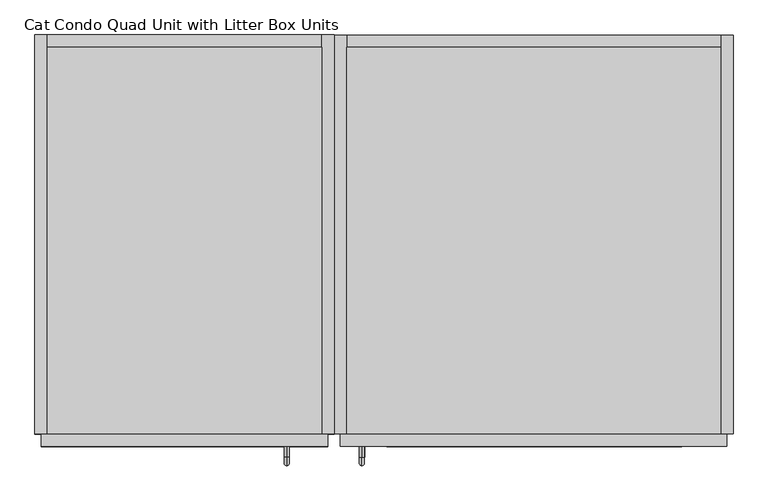
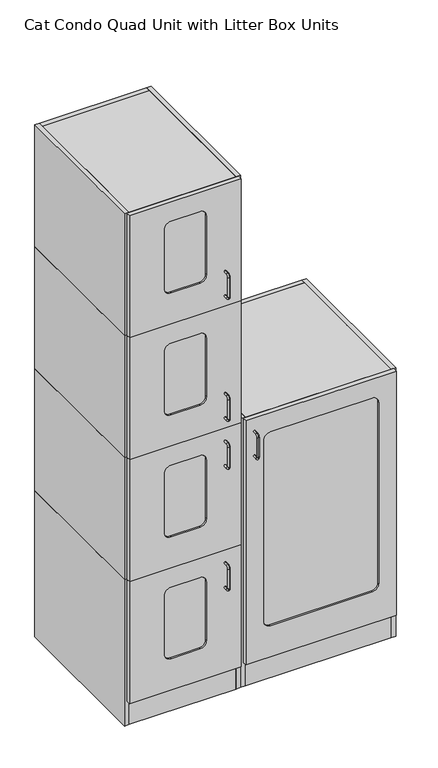
"""IFC4 building model written with IfcOpenShell, lengths in millimetres: proxy geometry, Cat Condo Quad Unit with Litter Box Units."""

from ifc_helpers import new_model, si_unit, point, frame, frame_2d, origin, origin_with_axes, place, context, project, spatial, polyline, circle_curve, ellipse_curve, trimmed, segment, composite_curve, outline, extrude, source, transform, mapped, element, save
from ifc_brep_helpers import plane_surface, cylinder_surface, revolved_surface, advanced_brep


def cat_condo_quad_unit_with_litter_box_units_55eef16e(model_context):
    return source(origin(), model_context, "Body", "SolidModel", [
        advanced_brep(
        [(994.1819084, -19.05, 551.6993154), (994.1819084, -19.05, 559.5506846), (994.1819084, -35.2117768, 551.6993154), (994.1819084, -35.2117768, 559.5506846), (994.1819084, -48.3756846, 546.3867768), (994.1819084, -40.5243154, 546.3867768), (994.1819084, -40.5243154, 463.2632232), (994.1819084, -48.3756846, 463.2632232), (994.1819084, -35.2117768, 450.0993154), (994.1819084, -35.2117768, 457.9506846), (994.1819084, -19.05, 457.9506846), (994.1819084, -19.05, 450.0993154)],
        [
            (0, 1, circle_curve(frame((994.1819084, -19.05, 555.625), z_axis=(0.0, 1.0, 0.0), x_axis=(0.0, 0.0, 1.0)), 3.9256846)),
            (1, 0, circle_curve(frame((994.1819084, -19.05, 555.625), z_axis=(0.0, 1.0, 0.0), x_axis=(0.0, 0.0, 1.0)), 3.9256846)),
            (0, 2),
            (2, 3, circle_curve(frame((994.1819084, -35.2117768, 555.625), z_axis=(0.0, 1.0, 0.0), x_axis=(0.0, 0.0, 1.0)), 3.9256846)),
            (3, 1),
            (3, 2, circle_curve(frame((994.1819084, -35.2117768, 555.625), z_axis=(0.0, 1.0, 0.0), x_axis=(0.0, 0.0, 1.0)), 3.9256846)),
            (4, 3, circle_curve(frame((994.1819084, -35.2117768, 546.3867768), z_axis=(-1.0, 0.0, 0.0), x_axis=(0.0, 0.0, 1.0)), 13.1639078)),
            (2, 5, circle_curve(frame((994.1819084, -35.2117768, 546.3867768), z_axis=(1.0, 0.0, 0.0), x_axis=(0.0, 0.0, 1.0)), 5.3125387)),
            (5, 4, circle_curve(frame((994.1819084, -44.45, 546.3867768), z_axis=(0.0, 0.0, 1.0), x_axis=(0.0, -1.0000000000000002, 0.0)), 3.9256846)),
            (4, 5, circle_curve(frame((994.1819084, -44.45, 546.3867768), z_axis=(0.0, 0.0, 1.0), x_axis=(0.0, -1.0000000000000002, 0.0)), 3.9256846)),
            (5, 6),
            (6, 7, circle_curve(frame((994.1819084, -44.45, 463.2632232), z_axis=(0.0, 0.0, 1.0), x_axis=(0.0, -1.0000000000000002, 0.0)), 3.9256846)),
            (7, 4),
            (7, 6, circle_curve(frame((994.1819084, -44.45, 463.2632232), z_axis=(0.0, 0.0, 1.0), x_axis=(0.0, -1.0000000000000002, 0.0)), 3.9256846)),
            (8, 7, circle_curve(frame((994.1819084, -35.2117768, 463.2632232), z_axis=(-1.0, 0.0, 0.0), x_axis=(0.0, -1.0000000000000002, 0.0)), 13.1639078)),
            (6, 9, circle_curve(frame((994.1819084, -35.2117768, 463.2632232), z_axis=(1.0, 0.0, 0.0), x_axis=(0.0, -1.0000000000000002, 0.0)), 5.3125387)),
            (9, 8, circle_curve(frame((994.1819084, -35.2117768, 454.025), z_axis=(0.0, -1.0000000000000002, 0.0), x_axis=(0.0, 0.0, -1.0)), 3.9256846)),
            (8, 9, circle_curve(frame((994.1819084, -35.2117768, 454.025), z_axis=(0.0, -1.0000000000000002, 0.0), x_axis=(0.0, 0.0, -1.0)), 3.9256846)),
            (10, 11, circle_curve(frame((994.1819084, -19.05, 454.025), z_axis=(0.0, 1.0, 0.0), x_axis=(0.0, 0.0, -1.0)), 3.9256846)),
            (11, 10, circle_curve(frame((994.1819084, -19.05, 454.025), z_axis=(0.0, 1.0, 0.0), x_axis=(0.0, 0.0, -1.0)), 3.9256846)),
            (9, 10),
            (11, 8),
        ],
        [
            plane_surface(frame((994.1819084, -19.05, 555.625), z_axis=(0.0, 1.0, 0.0), x_axis=(1.0, 0.0, 0.0))),
            cylinder_surface(frame((994.1819084, -19.05, 555.625), z_axis=(0.0, 1.0000000000000002, 0.0), x_axis=(0.0, 0.0, 1.0)), 3.9256846),
            revolved_surface(trimmed(ellipse_curve(frame((994.1819084, -35.2117768, 555.625), z_axis=(0.0, 1.0000000000000002, 0.0), x_axis=(0.0, 0.0, 1.0)), 3.9256846, 3.9256846), [point((994.1819084, -35.2117768, 551.6993154))], [point((994.1819084, -35.2117768, 559.5506846))], True, "CARTESIAN"), (994.1819084, -35.2117768, 546.3867768), (1.0000000000000002, 0.0, 0.0)),
            revolved_surface(trimmed(ellipse_curve(frame((994.1819084, -35.2117768, 555.625), z_axis=(0.0, 1.0000000000000002, 0.0), x_axis=(0.0, 0.0, 1.0)), 3.9256846, 3.9256846), [point((994.1819084, -35.2117768, 559.5506846))], [point((994.1819084, -35.2117768, 551.6993154))], True, "CARTESIAN"), (994.1819084, -35.2117768, 546.3867768), (1.0000000000000002, 0.0, 0.0)),
            cylinder_surface(frame((994.1819084, -44.45, 546.3867768), z_axis=(0.0, 0.0, 1.0), x_axis=(0.0, -1.0000000000000002, 0.0)), 3.9256846),
            revolved_surface(trimmed(ellipse_curve(frame((994.1819084, -44.45, 463.2632232), z_axis=(0.0, 0.0, 1.0), x_axis=(0.0, -1.0000000000000002, 0.0)), 3.9256846, 3.9256846), [point((994.1819084, -40.5243154, 463.2632232))], [point((994.1819084, -48.3756846, 463.2632232))], True, "CARTESIAN"), (994.1819084, -35.2117768, 463.2632232), (1.0000000000000002, 0.0, 0.0)),
            revolved_surface(trimmed(ellipse_curve(frame((994.1819084, -44.45, 463.2632232), z_axis=(0.0, 0.0, 1.0), x_axis=(0.0, -1.0000000000000002, 0.0)), 3.9256846, 3.9256846), [point((994.1819084, -48.3756846, 463.2632232))], [point((994.1819084, -40.5243154, 463.2632232))], True, "CARTESIAN"), (994.1819084, -35.2117768, 463.2632232), (1.0000000000000002, 0.0, 0.0)),
            plane_surface(frame((994.1819084, -19.05, 454.025), z_axis=(0.0, 1.0, 0.0), x_axis=(1.0, 0.0, 0.0))),
            cylinder_surface(frame((994.1819084, -35.2117768, 454.025), z_axis=(0.0, -1.0000000000000002, 0.0), x_axis=(0.0, 0.0, -1.0)), 3.9256846),
        ],
        [
            (0, [[1, 2]]),
            (1, [[-1, 3, 4, 5]]),
            (1, [[-2, -5, 6, -3]]),
            (2, [[7, -4, 8, 9]]),
            (3, [[-8, -6, -7, 10]]),
            (4, [[-9, 11, 12, 13]]),
            (4, [[-10, -13, 14, -11]]),
            (5, [[15, -12, 16, 17]]),
            (6, [[-16, -14, -15, 18]]),
            (7, [[19, 20]]),
            (8, [[-17, 21, -20, 22]]),
            (8, [[-18, -22, -19, -21]]),
        ],
    ),
        extrude(outline(polyline([(1047.75, 590.55), (1047.75, 0.0), (628.65, 0.0), (628.65, 590.55), (1047.75, 590.55)])), frame((0.0, 0.0, 587.375), z_axis=(0.0, 0.0, 1.0), x_axis=(1.0, 0.0, 0.0)), (0.0, 0.0, 1.0), 19.05),
        extrude(outline(polyline([(1047.75, 0.0), (628.65, 0.0), (628.65, 590.55), (1047.75, 590.55), (1047.75, 0.0)])), frame((0.0, 0.0, 101.6), z_axis=(0.0, 0.0, 1.0), x_axis=(1.0, 0.0, 0.0)), (0.0, 0.0, 1.0), 19.05),
        extrude(outline(polyline([(1047.75, 19.05), (1047.75, 0.0), (628.65, 0.0), (628.65, 19.05), (1047.75, 19.05)])), origin_with_axes(), (0.0, 0.0, 1.0), 101.6),
        extrude(outline(polyline([(1047.75, 609.6), (1066.8, 609.6), (1066.8, 0.0), (1047.75, 0.0), (1047.75, 609.6)])), origin_with_axes(), (0.0, 0.0, 1.0), 606.425),
        extrude(outline(polyline([(1047.75, 609.6), (1047.75, 590.55), (628.65, 590.55), (628.65, 609.6), (1047.75, 609.6)])), origin_with_axes(), (0.0, 0.0, 1.0), 606.425),
        extrude(outline(polyline([(628.65, 609.6), (628.65, 0.0), (609.6, 0.0), (609.6, 609.6), (628.65, 609.6)])), origin_with_axes(), (0.0, 0.0, 1.0), 606.425),
        extrude(outline(composite_curve([segment(polyline([(527.05, 895.35), (527.05, 781.05)]), True, "CONTINUOUS"), segment(trimmed(circle_curve(frame_2d((501.65, 781.05)), 25.4), [point((527.05, 781.05))], [point((501.65, 755.65))], False, "CARTESIAN"), True, "CONTINUOUS"), segment(polyline([(501.65, 755.65), (257.175, 755.65)]), True, "CONTINUOUS"), segment(trimmed(circle_curve(frame_2d((257.175, 781.05)), 25.4), [point((257.175, 755.65))], [point((231.775, 781.05))], False, "CARTESIAN"), True, "CONTINUOUS"), segment(polyline([(231.775, 781.05), (231.775, 895.35)]), True, "CONTINUOUS"), segment(trimmed(circle_curve(frame_2d((257.175, 895.35)), 25.4), [point((231.775, 895.35))], [point((257.175, 920.75))], False, "CARTESIAN"), True, "CONTINUOUS"), segment(polyline([(257.175, 920.75), (501.65, 920.75)]), True, "CONTINUOUS"), segment(trimmed(circle_curve(frame_2d((501.65, 895.35)), 25.4), [point((501.65, 920.75))], [point((527.05, 895.35))], False, "CARTESIAN"), True, "CONTINUOUS")], self_intersect=False)), frame((0.0, -12.7, 0.0), z_axis=(0.0, 1.0, 0.0), x_axis=(0.0, 0.0, 1.0)), (0.0, 0.0, 1.0), 6.35),
        extrude(outline(polyline([(606.425, 1057.275), (606.425, 619.125), (101.6, 619.125), (101.6, 1057.275), (606.425, 1057.275)]), holes=[composite_curve([segment(polyline([(527.05, 781.05), (527.05, 895.35)]), True, "CONTINUOUS"), segment(trimmed(circle_curve(frame_2d((501.65, 895.35)), 25.4), [point((527.05, 895.35))], [point((501.65, 920.75))], True, "CARTESIAN"), True, "CONTINUOUS"), segment(polyline([(501.65, 920.75), (257.175, 920.75)]), True, "CONTINUOUS"), segment(trimmed(circle_curve(frame_2d((257.175, 895.35)), 25.4), [point((257.175, 920.75))], [point((231.775, 895.35))], True, "CARTESIAN"), True, "CONTINUOUS"), segment(polyline([(231.775, 895.35), (231.775, 781.05)]), True, "CONTINUOUS"), segment(trimmed(circle_curve(frame_2d((257.175, 781.05)), 25.4), [point((231.775, 781.05))], [point((257.175, 755.65))], True, "CARTESIAN"), True, "CONTINUOUS"), segment(polyline([(257.175, 755.65), (501.65, 755.65)]), True, "CONTINUOUS"), segment(trimmed(circle_curve(frame_2d((501.65, 781.05)), 25.4), [point((501.65, 755.65))], [point((527.05, 781.05))], True, "CARTESIAN"), True, "CONTINUOUS")], self_intersect=False)]), frame((0.0, -19.05, 0.0), z_axis=(0.0, 1.0, 0.0), x_axis=(0.0, 0.0, 1.0)), (0.0, 0.0, 1.0), 19.05),
        advanced_brep(
        [(994.1819084, -19.05, 1056.5243154), (994.1819084, -19.05, 1064.3756846), (994.1819084, -35.2117768, 1056.5243154), (994.1819084, -35.2117768, 1064.3756846), (994.1819084, -48.3756846, 1051.2117768), (994.1819084, -40.5243154, 1051.2117768), (994.1819084, -40.5243154, 968.0882232), (994.1819084, -48.3756846, 968.0882232), (994.1819084, -35.2117768, 954.9243154), (994.1819084, -35.2117768, 962.7756846), (994.1819084, -19.05, 962.7756846), (994.1819084, -19.05, 954.9243154)],
        [
            (0, 1, circle_curve(frame((994.1819084, -19.05, 1060.45), z_axis=(0.0, 1.0, 0.0), x_axis=(0.0, 0.0, 1.0)), 3.9256846)),
            (1, 0, circle_curve(frame((994.1819084, -19.05, 1060.45), z_axis=(0.0, 1.0, 0.0), x_axis=(0.0, 0.0, 1.0)), 3.9256846)),
            (0, 2),
            (2, 3, circle_curve(frame((994.1819084, -35.2117768, 1060.45), z_axis=(0.0, 1.0, 0.0), x_axis=(0.0, 0.0, 1.0)), 3.9256846)),
            (3, 1),
            (3, 2, circle_curve(frame((994.1819084, -35.2117768, 1060.45), z_axis=(0.0, 1.0, 0.0), x_axis=(0.0, 0.0, 1.0)), 3.9256846)),
            (4, 3, circle_curve(frame((994.1819084, -35.2117768, 1051.2117768), z_axis=(-1.0, 0.0, 0.0), x_axis=(0.0, 0.0, 1.0)), 13.1639078)),
            (2, 5, circle_curve(frame((994.1819084, -35.2117768, 1051.2117768), z_axis=(1.0, 0.0, 0.0), x_axis=(0.0, 0.0, 1.0)), 5.3125387)),
            (5, 4, circle_curve(frame((994.1819084, -44.45, 1051.2117768), z_axis=(0.0, 0.0, 1.0), x_axis=(0.0, -1.0000000000000002, 0.0)), 3.9256846)),
            (4, 5, circle_curve(frame((994.1819084, -44.45, 1051.2117768), z_axis=(0.0, 0.0, 1.0), x_axis=(0.0, -1.0000000000000002, 0.0)), 3.9256846)),
            (5, 6),
            (6, 7, circle_curve(frame((994.1819084, -44.45, 968.0882232), z_axis=(0.0, 0.0, 1.0), x_axis=(0.0, -1.0000000000000002, 0.0)), 3.9256846)),
            (7, 4),
            (7, 6, circle_curve(frame((994.1819084, -44.45, 968.0882232), z_axis=(0.0, 0.0, 1.0), x_axis=(0.0, -1.0000000000000002, 0.0)), 3.9256846)),
            (8, 7, circle_curve(frame((994.1819084, -35.2117768, 968.0882232), z_axis=(-1.0, 0.0, 0.0), x_axis=(0.0, -1.0000000000000002, 0.0)), 13.1639078)),
            (6, 9, circle_curve(frame((994.1819084, -35.2117768, 968.0882232), z_axis=(1.0, 0.0, 0.0), x_axis=(0.0, -1.0000000000000002, 0.0)), 5.3125387)),
            (9, 8, circle_curve(frame((994.1819084, -35.2117768, 958.85), z_axis=(0.0, -1.0000000000000002, 0.0), x_axis=(0.0, 0.0, -1.0)), 3.9256846)),
            (8, 9, circle_curve(frame((994.1819084, -35.2117768, 958.85), z_axis=(0.0, -1.0000000000000002, 0.0), x_axis=(0.0, 0.0, -1.0)), 3.9256846)),
            (10, 11, circle_curve(frame((994.1819084, -19.05, 958.85), z_axis=(0.0, 1.0, 0.0), x_axis=(0.0, 0.0, -1.0)), 3.9256846)),
            (11, 10, circle_curve(frame((994.1819084, -19.05, 958.85), z_axis=(0.0, 1.0, 0.0), x_axis=(0.0, 0.0, -1.0)), 3.9256846)),
            (9, 10),
            (11, 8),
        ],
        [
            plane_surface(frame((994.1819084, -19.05, 1060.45), z_axis=(0.0, 1.0, 0.0), x_axis=(1.0, 0.0, 0.0))),
            cylinder_surface(frame((994.1819084, -19.05, 1060.45), z_axis=(0.0, 1.0000000000000002, 0.0), x_axis=(0.0, 0.0, 1.0)), 3.9256846),
            revolved_surface(trimmed(ellipse_curve(frame((994.1819084, -35.2117768, 1060.45), z_axis=(0.0, 1.0000000000000002, 0.0), x_axis=(0.0, 0.0, 1.0)), 3.9256846, 3.9256846), [point((994.1819084, -35.2117768, 1056.5243154))], [point((994.1819084, -35.2117768, 1064.3756846))], True, "CARTESIAN"), (994.1819084, -35.2117768, 1051.2117768), (1.0000000000000002, 0.0, 0.0)),
            revolved_surface(trimmed(ellipse_curve(frame((994.1819084, -35.2117768, 1060.45), z_axis=(0.0, 1.0000000000000002, 0.0), x_axis=(0.0, 0.0, 1.0)), 3.9256846, 3.9256846), [point((994.1819084, -35.2117768, 1064.3756846))], [point((994.1819084, -35.2117768, 1056.5243154))], True, "CARTESIAN"), (994.1819084, -35.2117768, 1051.2117768), (1.0000000000000002, 0.0, 0.0)),
            cylinder_surface(frame((994.1819084, -44.45, 1051.2117768), z_axis=(0.0, 0.0, 1.0), x_axis=(0.0, -1.0000000000000002, 0.0)), 3.9256846),
            revolved_surface(trimmed(ellipse_curve(frame((994.1819084, -44.45, 968.0882232), z_axis=(0.0, 0.0, 1.0), x_axis=(0.0, -1.0000000000000002, 0.0)), 3.9256846, 3.9256846), [point((994.1819084, -40.5243154, 968.0882232))], [point((994.1819084, -48.3756846, 968.0882232))], True, "CARTESIAN"), (994.1819084, -35.2117768, 968.0882232), (1.0000000000000002, 0.0, 0.0)),
            revolved_surface(trimmed(ellipse_curve(frame((994.1819084, -44.45, 968.0882232), z_axis=(0.0, 0.0, 1.0), x_axis=(0.0, -1.0000000000000002, 0.0)), 3.9256846, 3.9256846), [point((994.1819084, -48.3756846, 968.0882232))], [point((994.1819084, -40.5243154, 968.0882232))], True, "CARTESIAN"), (994.1819084, -35.2117768, 968.0882232), (1.0000000000000002, 0.0, 0.0)),
            plane_surface(frame((994.1819084, -19.05, 958.85), z_axis=(0.0, 1.0, 0.0), x_axis=(1.0, 0.0, 0.0))),
            cylinder_surface(frame((994.1819084, -35.2117768, 958.85), z_axis=(0.0, -1.0000000000000002, 0.0), x_axis=(0.0, 0.0, -1.0)), 3.9256846),
        ],
        [
            (0, [[1, 2]]),
            (1, [[-1, 3, 4, 5]]),
            (1, [[-2, -5, 6, -3]]),
            (2, [[7, -4, 8, 9]]),
            (3, [[-8, -6, -7, 10]]),
            (4, [[-9, 11, 12, 13]]),
            (4, [[-10, -13, 14, -11]]),
            (5, [[15, -12, 16, 17]]),
            (6, [[-16, -14, -15, 18]]),
            (7, [[19, 20]]),
            (8, [[-17, 21, -20, 22]]),
            (8, [[-18, -22, -19, -21]]),
        ],
    ),
        extrude(outline(polyline([(1047.75, 590.55), (1047.75, 0.0), (628.65, 0.0), (628.65, 590.55), (1047.75, 590.55)])), frame((0.0, 0.0, 1093.7875), z_axis=(0.0, 0.0, 1.0), x_axis=(1.0, 0.0, 0.0)), (0.0, 0.0, 1.0), 19.05),
        extrude(outline(polyline([(1047.75, 0.0), (628.65, 0.0), (628.65, 590.55), (1047.75, 590.55), (1047.75, 0.0)])), frame((0.0, 0.0, 606.425), z_axis=(0.0, 0.0, 1.0), x_axis=(1.0, 0.0, 0.0)), (0.0, 0.0, 1.0), 19.05),
        extrude(outline(polyline([(1047.75, 609.6), (1066.8, 609.6), (1066.8, 0.0), (1047.75, 0.0), (1047.75, 609.6)])), frame((0.0, 0.0, 606.425), z_axis=(0.0, 0.0, 1.0), x_axis=(1.0, 0.0, 0.0)), (0.0, 0.0, 1.0), 506.4125),
        extrude(outline(polyline([(1047.75, 609.6), (1047.75, 590.55), (628.65, 590.55), (628.65, 609.6), (1047.75, 609.6)])), frame((0.0, 0.0, 606.425), z_axis=(0.0, 0.0, 1.0), x_axis=(1.0, 0.0, 0.0)), (0.0, 0.0, 1.0), 506.4125),
        extrude(outline(polyline([(628.65, 609.6), (628.65, 0.0), (609.6, 0.0), (609.6, 609.6), (628.65, 609.6)])), frame((0.0, 0.0, 606.425), z_axis=(0.0, 0.0, 1.0), x_axis=(1.0, 0.0, 0.0)), (0.0, 0.0, 1.0), 506.4125),
        extrude(outline(composite_curve([segment(polyline([(1033.4625, 895.35), (1033.4625, 781.05)]), True, "CONTINUOUS"), segment(trimmed(circle_curve(frame_2d((1008.0625, 781.05)), 25.4), [point((1033.4625, 781.05))], [point((1008.0625, 755.65))], False, "CARTESIAN"), True, "CONTINUOUS"), segment(polyline([(1008.0625, 755.65), (762.0, 755.65)]), True, "CONTINUOUS"), segment(trimmed(circle_curve(frame_2d((762.0, 781.05)), 25.4), [point((762.0, 755.65))], [point((736.6, 781.05))], False, "CARTESIAN"), True, "CONTINUOUS"), segment(polyline([(736.6, 781.05), (736.6, 895.35)]), True, "CONTINUOUS"), segment(trimmed(circle_curve(frame_2d((762.0, 895.35)), 25.4), [point((736.6, 895.35))], [point((762.0, 920.75))], False, "CARTESIAN"), True, "CONTINUOUS"), segment(polyline([(762.0, 920.75), (1008.0625, 920.75)]), True, "CONTINUOUS"), segment(trimmed(circle_curve(frame_2d((1008.0625, 895.35)), 25.4), [point((1008.0625, 920.75))], [point((1033.4625, 895.35))], False, "CARTESIAN"), True, "CONTINUOUS")], self_intersect=False)), frame((0.0, -12.7, 0.0), z_axis=(0.0, 1.0, 0.0), x_axis=(0.0, 0.0, 1.0)), (0.0, 0.0, 1.0), 6.35),
        extrude(outline(polyline([(1112.8375, 1057.275), (1112.8375, 619.125), (606.425, 619.125), (606.425, 1057.275), (1112.8375, 1057.275)]), holes=[composite_curve([segment(polyline([(1033.4625, 781.05), (1033.4625, 895.35)]), True, "CONTINUOUS"), segment(trimmed(circle_curve(frame_2d((1008.0625, 895.35)), 25.4), [point((1033.4625, 895.35))], [point((1008.0625, 920.75))], True, "CARTESIAN"), True, "CONTINUOUS"), segment(polyline([(1008.0625, 920.75), (762.0, 920.75)]), True, "CONTINUOUS"), segment(trimmed(circle_curve(frame_2d((762.0, 895.35)), 25.4), [point((762.0, 920.75))], [point((736.6, 895.35))], True, "CARTESIAN"), True, "CONTINUOUS"), segment(polyline([(736.6, 895.35), (736.6, 781.05)]), True, "CONTINUOUS"), segment(trimmed(circle_curve(frame_2d((762.0, 781.05)), 25.4), [point((736.6, 781.05))], [point((762.0, 755.65))], True, "CARTESIAN"), True, "CONTINUOUS"), segment(polyline([(762.0, 755.65), (1008.0625, 755.65)]), True, "CONTINUOUS"), segment(trimmed(circle_curve(frame_2d((1008.0625, 781.05)), 25.4), [point((1008.0625, 755.65))], [point((1033.4625, 781.05))], True, "CARTESIAN"), True, "CONTINUOUS")], self_intersect=False)]), frame((0.0, -19.05, 0.0), z_axis=(0.0, 1.0, 0.0), x_axis=(0.0, 0.0, 1.0)), (0.0, 0.0, 1.0), 19.05),
        advanced_brep(
        [(994.1819084, -19.05, 1254.9618154), (994.1819084, -19.05, 1262.8131846), (994.1819084, -35.2117768, 1254.9618154), (994.1819084, -35.2117768, 1262.8131846), (994.1819084, -48.3756846, 1249.6492768), (994.1819084, -40.5243154, 1249.6492768), (994.1819084, -40.5243154, 1166.5257232), (994.1819084, -48.3756846, 1166.5257232), (994.1819084, -35.2117768, 1153.3618154), (994.1819084, -35.2117768, 1161.2131846), (994.1819084, -19.05, 1161.2131846), (994.1819084, -19.05, 1153.3618154)],
        [
            (0, 1, circle_curve(frame((994.1819084, -19.05, 1258.8875), z_axis=(0.0, 1.0, 0.0), x_axis=(0.0, 0.0, 1.0)), 3.9256846)),
            (1, 0, circle_curve(frame((994.1819084, -19.05, 1258.8875), z_axis=(0.0, 1.0, 0.0), x_axis=(0.0, 0.0, 1.0)), 3.9256846)),
            (0, 2),
            (2, 3, circle_curve(frame((994.1819084, -35.2117768, 1258.8875), z_axis=(0.0, 1.0, 0.0), x_axis=(0.0, 0.0, 1.0)), 3.9256846)),
            (3, 1),
            (3, 2, circle_curve(frame((994.1819084, -35.2117768, 1258.8875), z_axis=(0.0, 1.0, 0.0), x_axis=(0.0, 0.0, 1.0)), 3.9256846)),
            (4, 3, circle_curve(frame((994.1819084, -35.2117768, 1249.6492768), z_axis=(-1.0, 0.0, 0.0), x_axis=(0.0, 0.0, 1.0)), 13.1639078)),
            (2, 5, circle_curve(frame((994.1819084, -35.2117768, 1249.6492768), z_axis=(1.0, 0.0, 0.0), x_axis=(0.0, 0.0, 1.0)), 5.3125387)),
            (5, 4, circle_curve(frame((994.1819084, -44.45, 1249.6492768), z_axis=(0.0, 0.0, 1.0), x_axis=(0.0, -1.0000000000000002, 0.0)), 3.9256846)),
            (4, 5, circle_curve(frame((994.1819084, -44.45, 1249.6492768), z_axis=(0.0, 0.0, 1.0), x_axis=(0.0, -1.0000000000000002, 0.0)), 3.9256846)),
            (5, 6),
            (6, 7, circle_curve(frame((994.1819084, -44.45, 1166.5257232), z_axis=(0.0, 0.0, 1.0), x_axis=(0.0, -1.0000000000000002, 0.0)), 3.9256846)),
            (7, 4),
            (7, 6, circle_curve(frame((994.1819084, -44.45, 1166.5257232), z_axis=(0.0, 0.0, 1.0), x_axis=(0.0, -1.0000000000000002, 0.0)), 3.9256846)),
            (8, 7, circle_curve(frame((994.1819084, -35.2117768, 1166.5257232), z_axis=(-1.0, 0.0, 0.0), x_axis=(0.0, -1.0000000000000002, 0.0)), 13.1639078)),
            (6, 9, circle_curve(frame((994.1819084, -35.2117768, 1166.5257232), z_axis=(1.0, 0.0, 0.0), x_axis=(0.0, -1.0000000000000002, 0.0)), 5.3125387)),
            (9, 8, circle_curve(frame((994.1819084, -35.2117768, 1157.2875), z_axis=(0.0, -1.0000000000000002, 0.0), x_axis=(0.0, 0.0, -1.0)), 3.9256846)),
            (8, 9, circle_curve(frame((994.1819084, -35.2117768, 1157.2875), z_axis=(0.0, -1.0000000000000002, 0.0), x_axis=(0.0, 0.0, -1.0)), 3.9256846)),
            (10, 11, circle_curve(frame((994.1819084, -19.05, 1157.2875), z_axis=(0.0, 1.0, 0.0), x_axis=(0.0, 0.0, -1.0)), 3.9256846)),
            (11, 10, circle_curve(frame((994.1819084, -19.05, 1157.2875), z_axis=(0.0, 1.0, 0.0), x_axis=(0.0, 0.0, -1.0)), 3.9256846)),
            (9, 10),
            (11, 8),
        ],
        [
            plane_surface(frame((994.1819084, -19.05, 1258.8875), z_axis=(0.0, 1.0, 0.0), x_axis=(1.0, 0.0, 0.0))),
            cylinder_surface(frame((994.1819084, -19.05, 1258.8875), z_axis=(0.0, 1.0000000000000002, 0.0), x_axis=(0.0, 0.0, 1.0)), 3.9256846),
            revolved_surface(trimmed(ellipse_curve(frame((994.1819084, -35.2117768, 1258.8875), z_axis=(0.0, 1.0000000000000002, 0.0), x_axis=(0.0, 0.0, 1.0)), 3.9256846, 3.9256846), [point((994.1819084, -35.2117768, 1254.9618154))], [point((994.1819084, -35.2117768, 1262.8131846))], True, "CARTESIAN"), (994.1819084, -35.2117768, 1249.6492768), (1.0000000000000002, 0.0, 0.0)),
            revolved_surface(trimmed(ellipse_curve(frame((994.1819084, -35.2117768, 1258.8875), z_axis=(0.0, 1.0000000000000002, 0.0), x_axis=(0.0, 0.0, 1.0)), 3.9256846, 3.9256846), [point((994.1819084, -35.2117768, 1262.8131846))], [point((994.1819084, -35.2117768, 1254.9618154))], True, "CARTESIAN"), (994.1819084, -35.2117768, 1249.6492768), (1.0000000000000002, 0.0, 0.0)),
            cylinder_surface(frame((994.1819084, -44.45, 1249.6492768), z_axis=(0.0, 0.0, 1.0), x_axis=(0.0, -1.0000000000000002, 0.0)), 3.9256846),
            revolved_surface(trimmed(ellipse_curve(frame((994.1819084, -44.45, 1166.5257232), z_axis=(0.0, 0.0, 1.0), x_axis=(0.0, -1.0000000000000002, 0.0)), 3.9256846, 3.9256846), [point((994.1819084, -40.5243154, 1166.5257232))], [point((994.1819084, -48.3756846, 1166.5257232))], True, "CARTESIAN"), (994.1819084, -35.2117768, 1166.5257232), (1.0000000000000002, 0.0, 0.0)),
            revolved_surface(trimmed(ellipse_curve(frame((994.1819084, -44.45, 1166.5257232), z_axis=(0.0, 0.0, 1.0), x_axis=(0.0, -1.0000000000000002, 0.0)), 3.9256846, 3.9256846), [point((994.1819084, -48.3756846, 1166.5257232))], [point((994.1819084, -40.5243154, 1166.5257232))], True, "CARTESIAN"), (994.1819084, -35.2117768, 1166.5257232), (1.0000000000000002, 0.0, 0.0)),
            plane_surface(frame((994.1819084, -19.05, 1157.2875), z_axis=(0.0, 1.0, 0.0), x_axis=(1.0, 0.0, 0.0))),
            cylinder_surface(frame((994.1819084, -35.2117768, 1157.2875), z_axis=(0.0, -1.0000000000000002, 0.0), x_axis=(0.0, 0.0, -1.0)), 3.9256846),
        ],
        [
            (0, [[1, 2]]),
            (1, [[-1, 3, 4, 5]]),
            (1, [[-2, -5, 6, -3]]),
            (2, [[7, -4, 8, 9]]),
            (3, [[-8, -6, -7, 10]]),
            (4, [[-9, 11, 12, 13]]),
            (4, [[-10, -13, 14, -11]]),
            (5, [[15, -12, 16, 17]]),
            (6, [[-16, -14, -15, 18]]),
            (7, [[19, 20]]),
            (8, [[-17, 21, -20, 22]]),
            (8, [[-18, -22, -19, -21]]),
        ],
    ),
        extrude(outline(polyline([(1047.75, 590.55), (1047.75, 0.0), (628.65, 0.0), (628.65, 590.55), (1047.75, 590.55)])), frame((0.0, 0.0, 1600.2), z_axis=(0.0, 0.0, 1.0), x_axis=(1.0, 0.0, 0.0)), (0.0, 0.0, 1.0), 19.05),
        extrude(outline(polyline([(1047.75, 0.0), (628.65, 0.0), (628.65, 590.55), (1047.75, 590.55), (1047.75, 0.0)])), frame((0.0, 0.0, 1112.8375), z_axis=(0.0, 0.0, 1.0), x_axis=(1.0, 0.0, 0.0)), (0.0, 0.0, 1.0), 19.05),
        extrude(outline(polyline([(1047.75, 609.6), (1066.8, 609.6), (1066.8, 0.0), (1047.75, 0.0), (1047.75, 609.6)])), frame((0.0, 0.0, 1112.8375), z_axis=(0.0, 0.0, 1.0), x_axis=(1.0, 0.0, 0.0)), (0.0, 0.0, 1.0), 506.4125),
        extrude(outline(polyline([(1047.75, 609.6), (1047.75, 590.55), (628.65, 590.55), (628.65, 609.6), (1047.75, 609.6)])), frame((0.0, 0.0, 1112.8375), z_axis=(0.0, 0.0, 1.0), x_axis=(1.0, 0.0, 0.0)), (0.0, 0.0, 1.0), 506.4125),
        extrude(outline(polyline([(628.65, 609.6), (628.65, 0.0), (609.6, 0.0), (609.6, 609.6), (628.65, 609.6)])), frame((0.0, 0.0, 1112.8375), z_axis=(0.0, 0.0, 1.0), x_axis=(1.0, 0.0, 0.0)), (0.0, 0.0, 1.0), 506.4125),
        extrude(outline(composite_curve([segment(polyline([(1539.875, 895.35), (1539.875, 781.05)]), True, "CONTINUOUS"), segment(trimmed(circle_curve(frame_2d((1514.475, 781.05)), 25.4), [point((1539.875, 781.05))], [point((1514.475, 755.65))], False, "CARTESIAN"), True, "CONTINUOUS"), segment(polyline([(1514.475, 755.65), (1268.4125, 755.65)]), True, "CONTINUOUS"), segment(trimmed(circle_curve(frame_2d((1268.4125, 781.05)), 25.4), [point((1268.4125, 755.65))], [point((1243.0125, 781.05))], False, "CARTESIAN"), True, "CONTINUOUS"), segment(polyline([(1243.0125, 781.05), (1243.0125, 895.35)]), True, "CONTINUOUS"), segment(trimmed(circle_curve(frame_2d((1268.4125, 895.35)), 25.4), [point((1243.0125, 895.35))], [point((1268.4125, 920.75))], False, "CARTESIAN"), True, "CONTINUOUS"), segment(polyline([(1268.4125, 920.75), (1514.475, 920.75)]), True, "CONTINUOUS"), segment(trimmed(circle_curve(frame_2d((1514.475, 895.35)), 25.4), [point((1514.475, 920.75))], [point((1539.875, 895.35))], False, "CARTESIAN"), True, "CONTINUOUS")], self_intersect=False)), frame((0.0, -12.7, 0.0), z_axis=(0.0, 1.0, 0.0), x_axis=(0.0, 0.0, 1.0)), (0.0, 0.0, 1.0), 6.35),
        extrude(outline(polyline([(1619.25, 1057.275), (1619.25, 619.125), (1112.8375, 619.125), (1112.8375, 1057.275), (1619.25, 1057.275)]), holes=[composite_curve([segment(polyline([(1539.875, 781.05), (1539.875, 895.35)]), True, "CONTINUOUS"), segment(trimmed(circle_curve(frame_2d((1514.475, 895.35)), 25.4), [point((1539.875, 895.35))], [point((1514.475, 920.75))], True, "CARTESIAN"), True, "CONTINUOUS"), segment(polyline([(1514.475, 920.75), (1268.4125, 920.75)]), True, "CONTINUOUS"), segment(trimmed(circle_curve(frame_2d((1268.4125, 895.35)), 25.4), [point((1268.4125, 920.75))], [point((1243.0125, 895.35))], True, "CARTESIAN"), True, "CONTINUOUS"), segment(polyline([(1243.0125, 895.35), (1243.0125, 781.05)]), True, "CONTINUOUS"), segment(trimmed(circle_curve(frame_2d((1268.4125, 781.05)), 25.4), [point((1243.0125, 781.05))], [point((1268.4125, 755.65))], True, "CARTESIAN"), True, "CONTINUOUS"), segment(polyline([(1268.4125, 755.65), (1514.475, 755.65)]), True, "CONTINUOUS"), segment(trimmed(circle_curve(frame_2d((1514.475, 781.05)), 25.4), [point((1514.475, 755.65))], [point((1539.875, 781.05))], True, "CARTESIAN"), True, "CONTINUOUS")], self_intersect=False)]), frame((0.0, -19.05, 0.0), z_axis=(0.0, 1.0, 0.0), x_axis=(0.0, 0.0, 1.0)), (0.0, 0.0, 1.0), 19.05),
        advanced_brep(
        [(994.1819084, -19.05, 1761.3743154), (994.1819084, -19.05, 1769.2256846), (994.1819084, -35.2117768, 1761.3743154), (994.1819084, -35.2117768, 1769.2256846), (994.1819084, -48.3756846, 1756.0617768), (994.1819084, -40.5243154, 1756.0617768), (994.1819084, -40.5243154, 1672.9382232), (994.1819084, -48.3756846, 1672.9382232), (994.1819084, -35.2117768, 1659.7743154), (994.1819084, -35.2117768, 1667.6256846), (994.1819084, -19.05, 1667.6256846), (994.1819084, -19.05, 1659.7743154)],
        [
            (0, 1, circle_curve(frame((994.1819084, -19.05, 1765.3), z_axis=(0.0, 1.0, 0.0), x_axis=(0.0, 0.0, 1.0)), 3.9256846)),
            (1, 0, circle_curve(frame((994.1819084, -19.05, 1765.3), z_axis=(0.0, 1.0, 0.0), x_axis=(0.0, 0.0, 1.0)), 3.9256846)),
            (0, 2),
            (2, 3, circle_curve(frame((994.1819084, -35.2117768, 1765.3), z_axis=(0.0, 1.0, 0.0), x_axis=(0.0, 0.0, 1.0)), 3.9256846)),
            (3, 1),
            (3, 2, circle_curve(frame((994.1819084, -35.2117768, 1765.3), z_axis=(0.0, 1.0, 0.0), x_axis=(0.0, 0.0, 1.0)), 3.9256846)),
            (4, 3, circle_curve(frame((994.1819084, -35.2117768, 1756.0617768), z_axis=(-1.0, 0.0, 0.0), x_axis=(0.0, 0.0, 1.0)), 13.1639078)),
            (2, 5, circle_curve(frame((994.1819084, -35.2117768, 1756.0617768), z_axis=(1.0, 0.0, 0.0), x_axis=(0.0, 0.0, 1.0)), 5.3125387)),
            (5, 4, circle_curve(frame((994.1819084, -44.45, 1756.0617768), z_axis=(0.0, 0.0, 1.0), x_axis=(0.0, -1.0000000000000002, 0.0)), 3.9256846)),
            (4, 5, circle_curve(frame((994.1819084, -44.45, 1756.0617768), z_axis=(0.0, 0.0, 1.0), x_axis=(0.0, -1.0000000000000002, 0.0)), 3.9256846)),
            (5, 6),
            (6, 7, circle_curve(frame((994.1819084, -44.45, 1672.9382232), z_axis=(0.0, 0.0, 1.0), x_axis=(0.0, -1.0000000000000002, 0.0)), 3.9256846)),
            (7, 4),
            (7, 6, circle_curve(frame((994.1819084, -44.45, 1672.9382232), z_axis=(0.0, 0.0, 1.0), x_axis=(0.0, -1.0000000000000002, 0.0)), 3.9256846)),
            (8, 7, circle_curve(frame((994.1819084, -35.2117768, 1672.9382232), z_axis=(-1.0, 0.0, 0.0), x_axis=(0.0, -1.0000000000000002, 0.0)), 13.1639078)),
            (6, 9, circle_curve(frame((994.1819084, -35.2117768, 1672.9382232), z_axis=(1.0, 0.0, 0.0), x_axis=(0.0, -1.0000000000000002, 0.0)), 5.3125387)),
            (9, 8, circle_curve(frame((994.1819084, -35.2117768, 1663.7), z_axis=(0.0, -1.0000000000000002, 0.0), x_axis=(0.0, 0.0, -1.0)), 3.9256846)),
            (8, 9, circle_curve(frame((994.1819084, -35.2117768, 1663.7), z_axis=(0.0, -1.0000000000000002, 0.0), x_axis=(0.0, 0.0, -1.0)), 3.9256846)),
            (10, 11, circle_curve(frame((994.1819084, -19.05, 1663.7), z_axis=(0.0, 1.0, 0.0), x_axis=(0.0, 0.0, -1.0)), 3.9256846)),
            (11, 10, circle_curve(frame((994.1819084, -19.05, 1663.7), z_axis=(0.0, 1.0, 0.0), x_axis=(0.0, 0.0, -1.0)), 3.9256846)),
            (9, 10),
            (11, 8),
        ],
        [
            plane_surface(frame((994.1819084, -19.05, 1765.3), z_axis=(0.0, 1.0, 0.0), x_axis=(1.0, 0.0, 0.0))),
            cylinder_surface(frame((994.1819084, -19.05, 1765.3), z_axis=(0.0, 1.0000000000000002, 0.0), x_axis=(0.0, 0.0, 1.0)), 3.9256846),
            revolved_surface(trimmed(ellipse_curve(frame((994.1819084, -35.2117768, 1765.3), z_axis=(0.0, 1.0000000000000002, 0.0), x_axis=(0.0, 0.0, 1.0)), 3.9256846, 3.9256846), [point((994.1819084, -35.2117768, 1761.3743154))], [point((994.1819084, -35.2117768, 1769.2256846))], True, "CARTESIAN"), (994.1819084, -35.2117768, 1756.0617768), (1.0000000000000002, 0.0, 0.0)),
            revolved_surface(trimmed(ellipse_curve(frame((994.1819084, -35.2117768, 1765.3), z_axis=(0.0, 1.0000000000000002, 0.0), x_axis=(0.0, 0.0, 1.0)), 3.9256846, 3.9256846), [point((994.1819084, -35.2117768, 1769.2256846))], [point((994.1819084, -35.2117768, 1761.3743154))], True, "CARTESIAN"), (994.1819084, -35.2117768, 1756.0617768), (1.0000000000000002, 0.0, 0.0)),
            cylinder_surface(frame((994.1819084, -44.45, 1756.0617768), z_axis=(0.0, 0.0, 1.0), x_axis=(0.0, -1.0000000000000002, 0.0)), 3.9256846),
            revolved_surface(trimmed(ellipse_curve(frame((994.1819084, -44.45, 1672.9382232), z_axis=(0.0, 0.0, 1.0), x_axis=(0.0, -1.0000000000000002, 0.0)), 3.9256846, 3.9256846), [point((994.1819084, -40.5243154, 1672.9382232))], [point((994.1819084, -48.3756846, 1672.9382232))], True, "CARTESIAN"), (994.1819084, -35.2117768, 1672.9382232), (1.0000000000000002, 0.0, 0.0)),
            revolved_surface(trimmed(ellipse_curve(frame((994.1819084, -44.45, 1672.9382232), z_axis=(0.0, 0.0, 1.0), x_axis=(0.0, -1.0000000000000002, 0.0)), 3.9256846, 3.9256846), [point((994.1819084, -48.3756846, 1672.9382232))], [point((994.1819084, -40.5243154, 1672.9382232))], True, "CARTESIAN"), (994.1819084, -35.2117768, 1672.9382232), (1.0000000000000002, 0.0, 0.0)),
            plane_surface(frame((994.1819084, -19.05, 1663.7), z_axis=(0.0, 1.0, 0.0), x_axis=(1.0, 0.0, 0.0))),
            cylinder_surface(frame((994.1819084, -35.2117768, 1663.7), z_axis=(0.0, -1.0000000000000002, 0.0), x_axis=(0.0, 0.0, -1.0)), 3.9256846),
        ],
        [
            (0, [[1, 2]]),
            (1, [[-1, 3, 4, 5]]),
            (1, [[-2, -5, 6, -3]]),
            (2, [[7, -4, 8, 9]]),
            (3, [[-8, -6, -7, 10]]),
            (4, [[-9, 11, 12, 13]]),
            (4, [[-10, -13, 14, -11]]),
            (5, [[15, -12, 16, 17]]),
            (6, [[-16, -14, -15, 18]]),
            (7, [[19, 20]]),
            (8, [[-17, 21, -20, 22]]),
            (8, [[-18, -22, -19, -21]]),
        ],
    ),
        extrude(outline(polyline([(1047.75, 590.55), (1047.75, 0.0), (628.65, 0.0), (628.65, 590.55), (1047.75, 590.55)])), frame((0.0, 0.0, 2106.6125), z_axis=(0.0, 0.0, 1.0), x_axis=(1.0, 0.0, 0.0)), (0.0, 0.0, 1.0), 19.05),
        extrude(outline(polyline([(1047.75, 0.0), (628.65, 0.0), (628.65, 590.55), (1047.75, 590.55), (1047.75, 0.0)])), frame((0.0, 0.0, 1619.25), z_axis=(0.0, 0.0, 1.0), x_axis=(1.0, 0.0, 0.0)), (0.0, 0.0, 1.0), 19.05),
        extrude(outline(polyline([(1047.75, 609.6), (1066.8, 609.6), (1066.8, 0.0), (1047.75, 0.0), (1047.75, 609.6)])), frame((0.0, 0.0, 1619.25), z_axis=(0.0, 0.0, 1.0), x_axis=(1.0, 0.0, 0.0)), (0.0, 0.0, 1.0), 506.4125),
        extrude(outline(polyline([(1047.75, 609.6), (1047.75, 590.55), (628.65, 590.55), (628.65, 609.6), (1047.75, 609.6)])), frame((0.0, 0.0, 1619.25), z_axis=(0.0, 0.0, 1.0), x_axis=(1.0, 0.0, 0.0)), (0.0, 0.0, 1.0), 506.4125),
        extrude(outline(polyline([(628.65, 609.6), (628.65, 0.0), (609.6, 0.0), (609.6, 609.6), (628.65, 609.6)])), frame((0.0, 0.0, 1619.25), z_axis=(0.0, 0.0, 1.0), x_axis=(1.0, 0.0, 0.0)), (0.0, 0.0, 1.0), 506.4125),
        extrude(outline(composite_curve([segment(polyline([(2046.2875, 895.35), (2046.2875, 781.05)]), True, "CONTINUOUS"), segment(trimmed(circle_curve(frame_2d((2020.8875, 781.05)), 25.4), [point((2046.2875, 781.05))], [point((2020.8875, 755.65))], False, "CARTESIAN"), True, "CONTINUOUS"), segment(polyline([(2020.8875, 755.65), (1774.825, 755.65)]), True, "CONTINUOUS"), segment(trimmed(circle_curve(frame_2d((1774.825, 781.05)), 25.4), [point((1774.825, 755.65))], [point((1749.425, 781.05))], False, "CARTESIAN"), True, "CONTINUOUS"), segment(polyline([(1749.425, 781.05), (1749.425, 895.35)]), True, "CONTINUOUS"), segment(trimmed(circle_curve(frame_2d((1774.825, 895.35)), 25.4), [point((1749.425, 895.35))], [point((1774.825, 920.75))], False, "CARTESIAN"), True, "CONTINUOUS"), segment(polyline([(1774.825, 920.75), (2020.8875, 920.75)]), True, "CONTINUOUS"), segment(trimmed(circle_curve(frame_2d((2020.8875, 895.35)), 25.4), [point((2020.8875, 920.75))], [point((2046.2875, 895.35))], False, "CARTESIAN"), True, "CONTINUOUS")], self_intersect=False)), frame((0.0, -12.7, 0.0), z_axis=(0.0, 1.0, 0.0), x_axis=(0.0, 0.0, 1.0)), (0.0, 0.0, 1.0), 6.35),
        extrude(outline(polyline([(2125.6625, 1057.275), (2125.6625, 619.125), (1619.25, 619.125), (1619.25, 1057.275), (2125.6625, 1057.275)]), holes=[composite_curve([segment(polyline([(2046.2875, 781.05), (2046.2875, 895.35)]), True, "CONTINUOUS"), segment(trimmed(circle_curve(frame_2d((2020.8875, 895.35)), 25.4), [point((2046.2875, 895.35))], [point((2020.8875, 920.75))], True, "CARTESIAN"), True, "CONTINUOUS"), segment(polyline([(2020.8875, 920.75), (1774.825, 920.75)]), True, "CONTINUOUS"), segment(trimmed(circle_curve(frame_2d((1774.825, 895.35)), 25.4), [point((1774.825, 920.75))], [point((1749.425, 895.35))], True, "CARTESIAN"), True, "CONTINUOUS"), segment(polyline([(1749.425, 895.35), (1749.425, 781.05)]), True, "CONTINUOUS"), segment(trimmed(circle_curve(frame_2d((1774.825, 781.05)), 25.4), [point((1749.425, 781.05))], [point((1774.825, 755.65))], True, "CARTESIAN"), True, "CONTINUOUS"), segment(polyline([(1774.825, 755.65), (2020.8875, 755.65)]), True, "CONTINUOUS"), segment(trimmed(circle_curve(frame_2d((2020.8875, 781.05)), 25.4), [point((2020.8875, 755.65))], [point((2046.2875, 781.05))], True, "CARTESIAN"), True, "CONTINUOUS")], self_intersect=False)]), frame((0.0, -19.05, 0.0), z_axis=(0.0, 1.0, 0.0), x_axis=(0.0, 0.0, 1.0)), (0.0, 0.0, 1.0), 19.05),
        advanced_brep(
        [(1109.2871577, -19.05, 1056.5243154), (1109.2871577, -19.05, 1064.3756846), (1109.2871577, -35.2117768, 1056.5243154), (1109.2871577, -35.2117768, 1064.3756846), (1109.2871577, -35.2117768, 962.7756846), (1109.2871577, -19.05, 962.7756846), (1109.2871577, -19.05, 954.9243154), (1109.2871577, -35.2117768, 954.9243154), (1109.2871577, -48.3756846, 1051.2117768), (1109.2871577, -40.5243154, 1051.2117768), (1109.2871577, -48.3756846, 968.0882232), (1109.2871577, -40.5243154, 968.0882232)],
        [
            (0, 1, circle_curve(frame((1109.2871577, -19.05, 1060.45), z_axis=(0.0, 1.0, 0.0), x_axis=(0.0, 0.0, 1.0)), 3.9256846)),
            (1, 0, circle_curve(frame((1109.2871577, -19.05, 1060.45), z_axis=(0.0, 1.0, 0.0), x_axis=(0.0, 0.0, 1.0)), 3.9256846)),
            (0, 2),
            (2, 3, circle_curve(frame((1109.2871577, -35.2117768, 1060.45), z_axis=(0.0, 1.0, 0.0), x_axis=(0.0, 0.0, 1.0)), 3.9256846)),
            (3, 1),
            (4, 5),
            (5, 6, circle_curve(frame((1109.2871577, -19.05, 958.85), z_axis=(0.0, -1.0, 0.0), x_axis=(0.0, 0.0, -1.0)), 3.9256846)),
            (6, 7),
            (7, 4, circle_curve(frame((1109.2871577, -35.2117768, 958.85), z_axis=(0.0, 1.0, 0.0), x_axis=(0.0, 0.0, -1.0)), 3.9256846)),
            (3, 2, circle_curve(frame((1109.2871577, -35.2117768, 1060.45), z_axis=(0.0, 1.0, 0.0), x_axis=(0.0, 0.0, 1.0)), 3.9256846)),
            (8, 9, circle_curve(frame((1109.2871577, -44.45, 1051.2117768), z_axis=(0.0, 0.0, 1.0), x_axis=(0.0, -1.0, 0.0)), 3.9256846)),
            (9, 2, circle_curve(frame((1109.2871577, -35.2117768, 1051.2117768), z_axis=(-1.0, 0.0, 0.0), x_axis=(0.0, 0.0, 1.0)), 5.3125387)),
            (3, 8, circle_curve(frame((1109.2871577, -35.2117768, 1051.2117768), z_axis=(1.0, 0.0, 0.0), x_axis=(0.0, 0.0, 1.0)), 13.1639078)),
            (9, 8, circle_curve(frame((1109.2871577, -44.45, 1051.2117768), z_axis=(0.0, 0.0, 1.0), x_axis=(0.0, -1.0, 0.0)), 3.9256846)),
            (8, 10),
            (10, 11, circle_curve(frame((1109.2871577, -44.45, 968.0882232), z_axis=(0.0, 0.0, 1.0), x_axis=(0.0, -1.0, 0.0)), 3.9256846)),
            (11, 9),
            (11, 10, circle_curve(frame((1109.2871577, -44.45, 968.0882232), z_axis=(0.0, 0.0, 1.0), x_axis=(0.0, -1.0, 0.0)), 3.9256846)),
            (7, 4, circle_curve(frame((1109.2871577, -35.2117768, 958.85), z_axis=(0.0, -1.0, 0.0), x_axis=(0.0, 0.0, -1.0)), 3.9256846)),
            (4, 11, circle_curve(frame((1109.2871577, -35.2117768, 968.0882232), z_axis=(-1.0, 0.0, 0.0), x_axis=(0.0, -1.0, 0.0)), 5.3125387)),
            (10, 7, circle_curve(frame((1109.2871577, -35.2117768, 968.0882232), z_axis=(1.0, 0.0, 0.0), x_axis=(0.0, -1.0, 0.0)), 13.1639078)),
            (5, 6, circle_curve(frame((1109.2871577, -19.05, 958.85), z_axis=(0.0, 1.0, 0.0), x_axis=(0.0, 0.0, -1.0)), 3.9256846)),
        ],
        [
            plane_surface(frame((1109.2871577, -19.05, 1060.45), z_axis=(0.0, 1.0, 0.0), x_axis=(-1.0, 0.0, 0.0))),
            cylinder_surface(frame((1109.2871577, -19.05, 1060.45), z_axis=(0.0, 1.0, 0.0), x_axis=(0.0, 0.0, 1.0)), 3.9256846),
            cylinder_surface(frame((1109.2871577, -35.2117768, 958.85), z_axis=(0.0, -1.0, 0.0), x_axis=(0.0, 0.0, -1.0)), 3.9256846),
            revolved_surface(trimmed(ellipse_curve(frame((1109.2871577, -35.2117768, 1060.45), z_axis=(0.0, -1.0, 0.0), x_axis=(0.0, 0.0, 1.0)), 3.9256846, 3.9256846), [point((1109.2871577, -35.2117768, 1056.5243154))], [point((1109.2871577, -35.2117768, 1064.3756846))], True, "CARTESIAN"), (1109.2871577, -35.2117768, 1051.2117768), (-1.0, 0.0, 0.0)),
            revolved_surface(trimmed(ellipse_curve(frame((1109.2871577, -35.2117768, 1060.45), z_axis=(0.0, -1.0, 0.0), x_axis=(0.0, 0.0, 1.0)), 3.9256846, 3.9256846), [point((1109.2871577, -35.2117768, 1064.3756846))], [point((1109.2871577, -35.2117768, 1056.5243154))], True, "CARTESIAN"), (1109.2871577, -35.2117768, 1051.2117768), (-1.0, 0.0, 0.0)),
            cylinder_surface(frame((1109.2871577, -44.45, 1051.2117768), z_axis=(0.0, 0.0, 1.0), x_axis=(0.0, -1.0, 0.0)), 3.9256846),
            revolved_surface(trimmed(ellipse_curve(frame((1109.2871577, -44.45, 968.0882232), z_axis=(0.0, 0.0, -1.0), x_axis=(0.0, -1.0, 0.0)), 3.9256846, 3.9256846), [point((1109.2871577, -40.5243154, 968.0882232))], [point((1109.2871577, -48.3756846, 968.0882232))], True, "CARTESIAN"), (1109.2871577, -35.2117768, 968.0882232), (-1.0, 0.0, 0.0)),
            revolved_surface(trimmed(ellipse_curve(frame((1109.2871577, -44.45, 968.0882232), z_axis=(0.0, 0.0, -1.0), x_axis=(0.0, -1.0, 0.0)), 3.9256846, 3.9256846), [point((1109.2871577, -48.3756846, 968.0882232))], [point((1109.2871577, -40.5243154, 968.0882232))], True, "CARTESIAN"), (1109.2871577, -35.2117768, 968.0882232), (-1.0, 0.0, 0.0)),
            plane_surface(frame((1109.2871577, -19.05, 958.85), z_axis=(0.0, 1.0, 0.0), x_axis=(-1.0, 0.0, 0.0))),
        ],
        [
            (0, [[1, 2]]),
            (1, [[3, 4, 5, -1]]),
            (2, [[6, 7, 8, 9]]),
            (1, [[-5, 10, -3, -2]]),
            (3, [[11, 12, -10, 13]]),
            (4, [[14, -13, -4, -12]]),
            (5, [[15, 16, 17, -11]]),
            (5, [[-17, 18, -15, -14]]),
            (6, [[19, 20, -16, 21]]),
            (7, [[-9, -21, -18, -20]]),
            (8, [[22, -7]]),
            (2, [[-8, -22, -6, -19]]),
        ],
    ),
        extrude(outline(polyline([(1085.85, 590.55), (1657.35, 590.55), (1657.35, 0.0), (1085.85, 0.0), (1085.85, 590.55)])), frame((0.0, 0.0, 1095.375), z_axis=(0.0, 0.0, 1.0), x_axis=(1.0, 0.0, 0.0)), (0.0, 0.0, 1.0), 19.05),
        extrude(outline(polyline([(1085.85, 590.55), (1657.35, 590.55), (1657.35, 374.65), (1085.85, 166.6410111), (1085.85, 590.55)])), frame((0.0, 0.0, 711.2), z_axis=(0.0, 0.0, 1.0), x_axis=(1.0, 0.0, 0.0)), (0.0, 0.0, 1.0), 19.05),
        extrude(outline(composite_curve([segment(polyline([(1454.15, 590.55), (1657.35, 590.55), (1657.35, 25.4), (1530.35, 25.4)]), True, "CONTINUOUS"), segment(trimmed(circle_curve(frame_2d((1530.35, 101.6)), 76.2), [point((1530.35, 25.4))], [point((1454.15, 101.6))], False, "CARTESIAN"), True, "CONTINUOUS"), segment(polyline([(1454.15, 101.6), (1454.15, 590.55)]), True, "CONTINUOUS")], self_intersect=False)), frame((0.0, 0.0, 406.4), z_axis=(0.0, 0.0, 1.0), x_axis=(1.0, 0.0, 0.0)), (0.0, 0.0, 1.0), 19.05),
        extrude(outline(polyline([(1085.85, 0.0), (1085.85, 590.55), (1657.35, 590.55), (1657.35, 0.0), (1085.85, 0.0)])), frame((0.0, 0.0, 101.6), z_axis=(0.0, 0.0, 1.0), x_axis=(1.0, 0.0, 0.0)), (0.0, 0.0, 1.0), 19.05),
        extrude(outline(polyline([(1085.85, 19.05), (1657.35, 19.05), (1657.35, 0.0), (1085.85, 0.0), (1085.85, 19.05)])), origin_with_axes(), (0.0, 0.0, 1.0), 101.6),
        extrude(outline(polyline([(1085.85, 609.6), (1085.85, 0.0), (1066.8, 0.0), (1066.8, 609.6), (1085.85, 609.6)])), origin_with_axes(), (0.0, 0.0, 1.0), 1114.425),
        extrude(outline(polyline([(1085.85, 609.6), (1657.35, 609.6), (1657.35, 590.55), (1085.85, 590.55), (1085.85, 609.6)])), origin_with_axes(), (0.0, 0.0, 1.0), 1114.425),
        extrude(outline(polyline([(1657.35, 609.6), (1676.4, 609.6), (1676.4, 0.0), (1657.35, 0.0), (1657.35, 609.6)])), origin_with_axes(), (0.0, 0.0, 1.0), 1114.425),
        extrude(outline(composite_curve([segment(trimmed(circle_curve(frame_2d((1009.65, 1172.36875)), 25.4), [point((1035.05, 1172.36875))], [point((1009.65, 1146.96875))], False, "CARTESIAN"), True, "CONTINUOUS"), segment(polyline([(1009.65, 1146.96875), (257.175, 1146.96875)]), True, "CONTINUOUS"), segment(trimmed(circle_curve(frame_2d((257.175, 1172.36875)), 25.4), [point((257.175, 1146.96875))], [point((231.775, 1172.36875))], False, "CARTESIAN"), True, "CONTINUOUS"), segment(polyline([(231.775, 1172.36875), (231.775, 1572.41875)]), True, "CONTINUOUS"), segment(trimmed(circle_curve(frame_2d((257.175, 1572.41875)), 25.4), [point((231.775, 1572.41875))], [point((257.175, 1597.81875))], False, "CARTESIAN"), True, "CONTINUOUS"), segment(polyline([(257.175, 1597.81875), (1009.65, 1597.81875)]), True, "CONTINUOUS"), segment(trimmed(circle_curve(frame_2d((1009.65, 1572.41875)), 25.4), [point((1009.65, 1597.81875))], [point((1035.05, 1572.41875))], False, "CARTESIAN"), True, "CONTINUOUS"), segment(polyline([(1035.05, 1572.41875), (1035.05, 1172.36875)]), True, "CONTINUOUS")], self_intersect=False)), frame((0.0, -12.7, 0.0), z_axis=(0.0, 1.0, 0.0), x_axis=(0.0, 0.0, 1.0)), (0.0, 0.0, 1.0), 6.35),
        extrude(outline(polyline([(1114.425, 1076.325), (101.6, 1076.325), (101.6, 1666.875), (1114.425, 1666.875), (1114.425, 1076.325)]), holes=[composite_curve([segment(trimmed(circle_curve(frame_2d((1009.65, 1572.41875)), 25.4), [point((1035.05, 1572.41875))], [point((1009.65, 1597.81875))], True, "CARTESIAN"), True, "CONTINUOUS"), segment(polyline([(1009.65, 1597.81875), (257.175, 1597.81875)]), True, "CONTINUOUS"), segment(trimmed(circle_curve(frame_2d((257.175, 1572.41875)), 25.4), [point((257.175, 1597.81875))], [point((231.775, 1572.41875))], True, "CARTESIAN"), True, "CONTINUOUS"), segment(polyline([(231.775, 1572.41875), (231.775, 1172.36875)]), True, "CONTINUOUS"), segment(trimmed(circle_curve(frame_2d((257.175, 1172.36875)), 25.4), [point((231.775, 1172.36875))], [point((257.175, 1146.96875))], True, "CARTESIAN"), True, "CONTINUOUS"), segment(polyline([(257.175, 1146.96875), (1009.65, 1146.96875)]), True, "CONTINUOUS"), segment(trimmed(circle_curve(frame_2d((1009.65, 1172.36875)), 25.4), [point((1009.65, 1146.96875))], [point((1035.05, 1172.36875))], True, "CARTESIAN"), True, "CONTINUOUS"), segment(polyline([(1035.05, 1172.36875), (1035.05, 1572.41875)]), True, "CONTINUOUS")], self_intersect=False)]), frame((0.0, -19.05, 0.0), z_axis=(0.0, 1.0, 0.0), x_axis=(0.0, 0.0, 1.0)), (0.0, 0.0, 1.0), 19.05),
    ])


if __name__ == "__main__":
    model = new_model("IFC4")
    model_context = context("Model", 3, world=origin())
    ifc_project = project(units=[si_unit("LENGTHUNIT", "METRE", prefix="MILLI")], contexts=[model_context])
    site = spatial("IfcSite", under=ifc_project)
    building = spatial("IfcBuilding", under=site)
    placement = place(None, origin())
    cat_condo_quad_unit_with_litter_box_units_shape = cat_condo_quad_unit_with_litter_box_units_55eef16e(model_context)
    element("IfcBuildingElementProxy", 1, Name="Cat Condo Quad Unit with Litter Box Units", ObjectType="Cat Condo Quad Unit with Litter Box Units", at=placement, inside=building, context=model_context, shape_type="MappedRepresentation", body=[
        mapped(cat_condo_quad_unit_with_litter_box_units_shape, transform((0.0, 0.0, 0.0), x_axis=(1.0, 0.0, 0.0), y_axis=(0.0, 1.0, 0.0), z_axis=(0.0, 0.0, 1.0))),
    ])
    save(model, "model.ifc")
